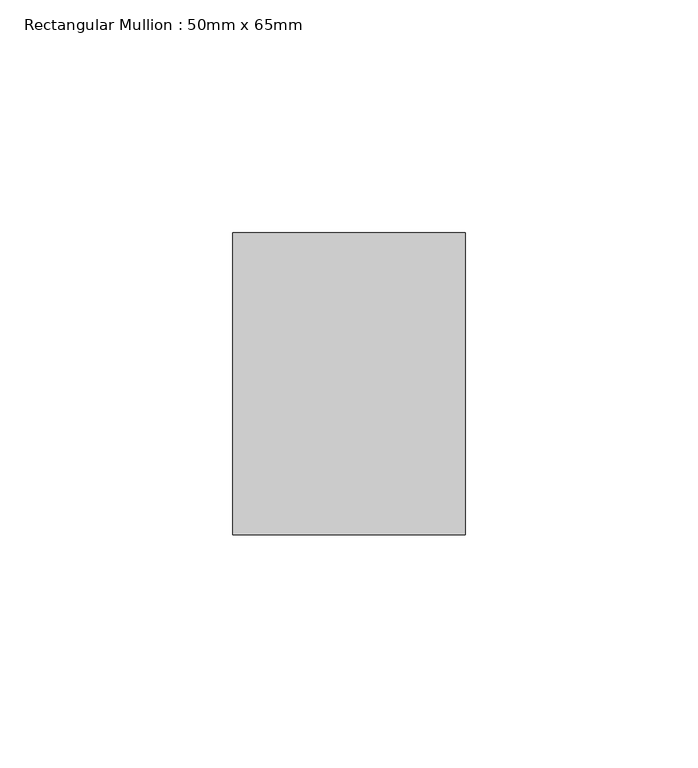
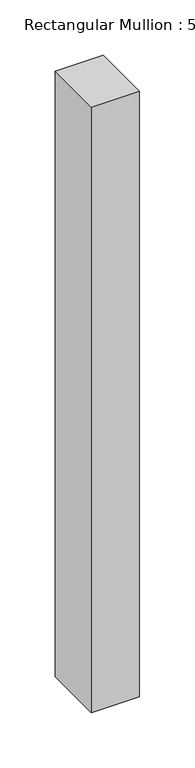
"""IFC4 building model written with IfcOpenShell, lengths in millimetres: member geometry, Rectangular Mullion : 50mm x 65mm."""

from ifc_helpers import new_model, si_unit, frame, origin, place, context, project, spatial, polyline, outline, extrude, source, transform, mapped, element, save


def rectangular_mullion_50mm_x_65mm_0a5e2266(model_context):
    return source(origin(), model_context, "Body", "SweptSolid", [
        extrude(outline(polyline([(25.0, 32.5), (25.0, -32.5), (-25.0, -32.5), (-25.0, 32.5), (25.0, 32.5)])), frame((0.0, 0.0, -667.5404916), z_axis=(0.0, 0.0, 1.0), x_axis=(1.0, 0.0, 0.0)), (0.0, 0.0, 1.0), 667.5404916),
    ])


if __name__ == "__main__":
    model = new_model("IFC4")
    model_context = context("Model", 3, world=origin())
    ifc_project = project(units=[si_unit("LENGTHUNIT", "METRE", prefix="MILLI")], contexts=[model_context])
    site = spatial("IfcSite", under=ifc_project)
    building = spatial("IfcBuilding", under=site)
    placement = place(None, origin())
    rectangular_mullion_50mm_x_65mm_shape = rectangular_mullion_50mm_x_65mm_0a5e2266(model_context)
    element("IfcMember", 1, ObjectType="Rectangular Mullion : 50mm x 65mm", at=placement, inside=building, context=model_context, shape_type="MappedRepresentation", body=[
        mapped(rectangular_mullion_50mm_x_65mm_shape, transform((0.0, 0.0, 0.0), x_axis=(1.0, 0.0, 0.0), y_axis=(0.0, 1.0, 0.0), z_axis=(0.0, 0.0, 1.0))),
    ])
    save(model, "model.ifc")
